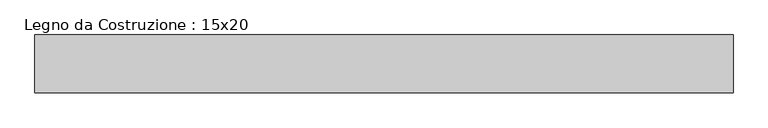
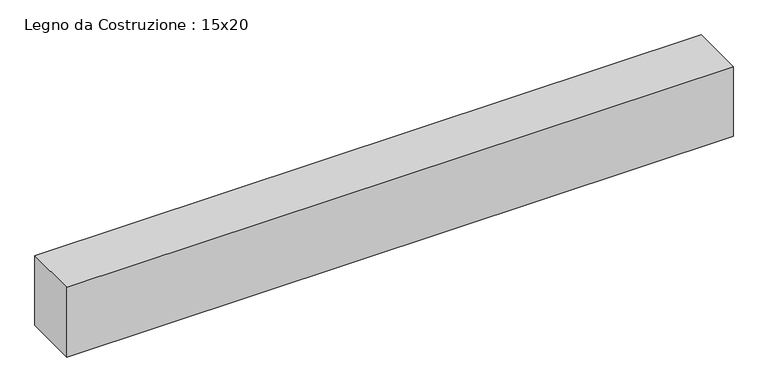
"""IFC4 building model written with IfcOpenShell, lengths in millimetres: beam geometry, Legno da Costruzione : 15x20."""

import ifcopenshell
import ifcopenshell.guid

model = None  # the IFC model being written
_history = None  # IfcOwnerHistory: only IFC2X3 demands one
_inside = {}  # id of a spatial element -> (the spatial element, [elements in it])
_under = {}  # id of a project, library or spatial element -> (it, [spatial elements below it])
_declared = {}  # id of a project -> (the project, [libraries it declares])
_typed = {}  # id of a type object -> (the type object, [elements of that type])
_made_of = {}  # id of a material, layer set ... -> (it, [elements and type objects made of it])


def new_model(schema):
    """Start an empty IFC model of exactly this schema.

    Asked for "IFC4X3", IfcOpenShell would pick the latest addendum, in which some entities
    have other attributes; the version numbers below select the first issue.
    IFC2X3 requires an IfcOwnerHistory on every rooted entity: one is made here for all.
    """
    global model, _history
    if schema == "IFC4X3":
        model = ifcopenshell.file(schema_version=(4, 3, 0, 0))
    else:
        model = ifcopenshell.file(schema=schema)
    _inside.clear()
    _under.clear()
    _declared.clear()
    _typed.clear()
    _made_of.clear()
    _history = None
    if model.schema == "IFC2X3":
        org = make("IfcOrganization", Name="unknown")
        user = make(
            "IfcPersonAndOrganization",
            ThePerson=make("IfcPerson", FamilyName="unknown"),
            TheOrganization=org,
        )
        app = make(
            "IfcApplication",
            ApplicationDeveloper=org,
            Version="unknown",
            ApplicationFullName="unknown",
            ApplicationIdentifier="unknown",
        )
        _history = make(
            "IfcOwnerHistory",
            OwningUser=user,
            OwningApplication=app,
            ChangeAction="ADDED",
            CreationDate=0,
        )
    return model


def make(cls, **values):
    """One entity of the class cls with the attributes given. An attribute that is None is left unset."""
    return model.create_entity(
        cls, **{name: value for name, value in values.items() if value is not None}
    )


def rooted(cls, **values):
    """An entity with a GlobalId (a new one), such as an element, a storey or a relation."""
    return make(cls, GlobalId=ifcopenshell.guid.new(), OwnerHistory=_history, **values)


def si_unit(unit_type, name, prefix=None):
    """IfcSIUnit, for example si_unit("LENGTHUNIT", "METRE", prefix="MILLI")."""
    return make("IfcSIUnit", UnitType=unit_type, Prefix=prefix, Name=name)


def assignment(units):
    """IfcUnitAssignment: the units of a project."""
    return None if units is None else make("IfcUnitAssignment", Units=units)


def point(xyz):
    """IfcCartesianPoint."""
    return None if xyz is None else make("IfcCartesianPoint", Coordinates=xyz)


def direction(xyz):
    """IfcDirection."""
    return None if xyz is None else make("IfcDirection", DirectionRatios=xyz)


def frame(location, z_axis=None, x_axis=None):
    """IfcAxis2Placement3D, a coordinate frame: its origin and axes. An axis left out is left unset."""
    return make(
        "IfcAxis2Placement3D",
        Location=point(location),
        Axis=direction(z_axis),
        RefDirection=direction(x_axis),
    )


def origin():
    """The frame at (0, 0, 0) with its axes left unset."""
    return frame((0.0, 0.0, 0.0))


def place(relative_to, where):
    """IfcLocalPlacement: puts the frame where relative to a parent placement (None: the world)."""
    return make(
        "IfcLocalPlacement", PlacementRelTo=relative_to, RelativePlacement=where
    )


def context(
    kind, dimensions, precision=None, world=None, true_north=None, identifier=None
):
    """IfcGeometricRepresentationContext, for example the 3D "Model" context."""
    return make(
        "IfcGeometricRepresentationContext",
        ContextIdentifier=identifier,
        ContextType=kind,
        CoordinateSpaceDimension=dimensions,
        Precision=precision,
        WorldCoordinateSystem=world,
        TrueNorth=true_north,
    )


def project(units=None, contexts=None):
    """IfcProject with its units and contexts."""
    return rooted(
        "IfcProject",
        Name="project",
        RepresentationContexts=contexts,
        UnitsInContext=assignment(units),
    )


def spatial(cls, under=None, at=None, **own):
    """A site, building, storey or space (cls), placed at a placement, below another one or the project."""
    s = rooted(cls, ObjectPlacement=at, **own)
    if under is not None:
        _under.setdefault(under.id(), (under, []))[1].append(s)
    return s


def polyline(points):
    """IfcPolyline through the points."""
    return make("IfcPolyline", Points=[point(p) for p in points])


def outline(outer, holes=None, kind="AREA"):
    """IfcArbitraryClosedProfileDef: a profile drawn as a closed curve; with holes, ...WithVoids."""
    if holes is None:
        return make("IfcArbitraryClosedProfileDef", ProfileType=kind, OuterCurve=outer)
    return make(
        "IfcArbitraryProfileDefWithVoids",
        ProfileType=kind,
        OuterCurve=outer,
        InnerCurves=holes,
    )


def extrude(swept, where, along, depth):
    """IfcExtrudedAreaSolid: the profile swept, set in the frame where, extruded along a direction by depth."""
    return make(
        "IfcExtrudedAreaSolid",
        SweptArea=swept,
        Position=where,
        ExtrudedDirection=direction(along),
        Depth=depth,
    )


def shape(context_of_items, identifier, shape_type, items):
    """IfcShapeRepresentation: the items that make up one representation, for example the "Body"."""
    return make(
        "IfcShapeRepresentation",
        ContextOfItems=context_of_items,
        RepresentationIdentifier=identifier,
        RepresentationType=shape_type,
        Items=items,
    )


def source(mapping_origin, context_of_items, identifier, shape_type, items):
    """IfcRepresentationMap: a shape defined once, which mapped items show again and again."""
    return make(
        "IfcRepresentationMap",
        MappingOrigin=mapping_origin,
        MappedRepresentation=shape(context_of_items, identifier, shape_type, items),
    )


def transform(
    local_origin,
    x_axis=None,
    y_axis=None,
    z_axis=None,
    scale=None,
    scale2=None,
    scale3=None,
    uniform=True,
):
    """IfcCartesianTransformationOperator3D, or its non-uniform kind. x_axis, y_axis, z_axis: its Axis1, 2, 3."""
    if uniform:
        return make(
            "IfcCartesianTransformationOperator3D",
            Axis1=direction(x_axis),
            Axis2=direction(y_axis),
            LocalOrigin=point(local_origin),
            Scale=scale,
            Axis3=direction(z_axis),
        )
    return make(
        "IfcCartesianTransformationOperator3DnonUniform",
        Axis1=direction(x_axis),
        Axis2=direction(y_axis),
        LocalOrigin=point(local_origin),
        Scale=scale,
        Axis3=direction(z_axis),
        Scale2=scale2,
        Scale3=scale3,
    )


def mapped(mapping_source, mapping_target):
    """IfcMappedItem: shows the shape of a source again, moved by a transform."""
    return make(
        "IfcMappedItem", MappingSource=mapping_source, MappingTarget=mapping_target
    )


def made_of(thing, what):
    """Note that an element or type object is made of a material, layer set ...; save() writes the relation."""
    if what is not None:
        _made_of.setdefault(what.id(), (what, []))[1].append(thing)
    return thing


def element(
    cls,
    number,
    at=None,
    inside=None,
    cuts=None,
    type_object=None,
    material=None,
    context=None,
    identifier="Body",
    shape_type=None,
    held_by="IfcProductDefinitionShape",
    body=None,
    shapes=None,
    **own,
):
    """One element of the class cls, such as IfcWall. Its Tag is "e" and its number.

    at: its placement. inside: the storey or other place that contains it. cuts: it is an
    opening in that element (IfcRelVoidsElement). A single representation is given by context,
    identifier, shape_type and body (its items); several are given by shapes. held_by: the class
    of the entity that holds the representations. save() writes the other relations.
    """
    e = rooted(cls, Tag="e%d" % number, ObjectPlacement=at, **own)
    if body is not None:
        shapes = [shape(context, identifier, shape_type, body)]
    if shapes is not None:
        e.Representation = make(held_by, Representations=shapes)
    if inside is not None:
        _inside.setdefault(inside.id(), (inside, []))[1].append(e)
    if cuts is not None:
        rooted(
            "IfcRelVoidsElement", RelatingBuildingElement=cuts, RelatedOpeningElement=e
        )
    if type_object is not None:
        _typed.setdefault(type_object.id(), (type_object, []))[1].append(e)
    return made_of(e, material)


def aggregate(whole, parts):
    """IfcRelAggregates: a whole, such as a stair, and the parts it consists of."""
    return rooted("IfcRelAggregates", RelatingObject=whole, RelatedObjects=parts)


def save(model, path):
    """Write the relations noted so far, then the file.

    IfcRelAggregates (storeys below a building ...), IfcRelContainedInSpatialStructure (elements
    in a storey), IfcRelDefinesByType, IfcRelAssociatesMaterial and IfcRelDeclares: one each for
    every whole, place, type object, material and project.
    """
    for whole, parts in _under.values():
        aggregate(whole, parts)
    for where, things in _inside.values():
        rooted(
            "IfcRelContainedInSpatialStructure",
            RelatedElements=things,
            RelatingStructure=where,
        )
    for kind, things in _typed.values():
        rooted("IfcRelDefinesByType", RelatedObjects=things, RelatingType=kind)
    for what, things in _made_of.values():
        rooted("IfcRelAssociatesMaterial", RelatedObjects=things, RelatingMaterial=what)
    for by, libraries in _declared.values():
        rooted("IfcRelDeclares", RelatingContext=by, RelatedDefinitions=libraries)
    model.write(path)


def legno_da_costruzione_15x20_704d801e(model_context):
    return source(origin(), model_context, "Body", "SweptSolid", [
        extrude(outline(polyline([(997.5, 75.0), (997.5, -75.0), (-808.5, -75.0), (-808.5, 75.0), (997.5, 75.0)])), frame((0.0, 0.0, -100.0), z_axis=(0.0, 0.0, 1.0), x_axis=(1.0, 0.0, 0.0)), (0.0, 0.0, 1.0), 200.0),
    ])


if __name__ == "__main__":
    model = new_model("IFC4")
    model_context = context("Model", 3, world=origin())
    ifc_project = project(units=[si_unit("LENGTHUNIT", "METRE", prefix="MILLI")], contexts=[model_context])
    site = spatial("IfcSite", under=ifc_project)
    building = spatial("IfcBuilding", under=site)
    placement = place(None, origin())
    legno_da_costruzione_15x20_shape = legno_da_costruzione_15x20_704d801e(model_context)
    element("IfcBeam", 1, ObjectType="Legno da Costruzione : 15x20", at=placement, inside=building, context=model_context, shape_type="MappedRepresentation", body=[
        mapped(legno_da_costruzione_15x20_shape, transform((0.0, 0.0, 0.0), x_axis=(1.0, 0.0, 0.0), y_axis=(0.0, 1.0, 0.0), z_axis=(0.0, 0.0, 1.0))),
    ])
    save(model, "model.ifc")
